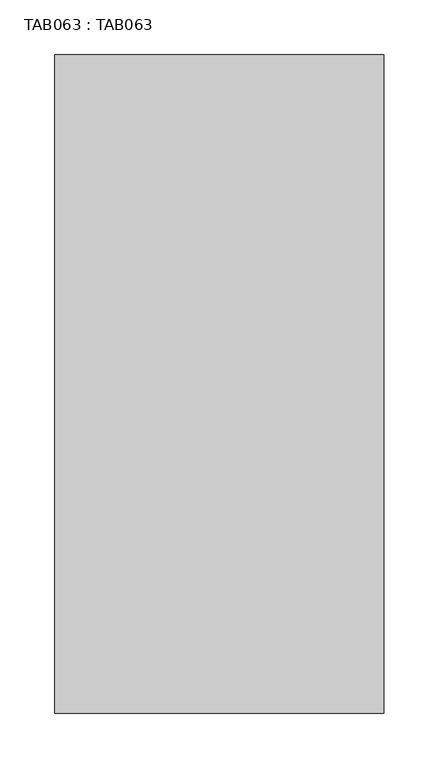
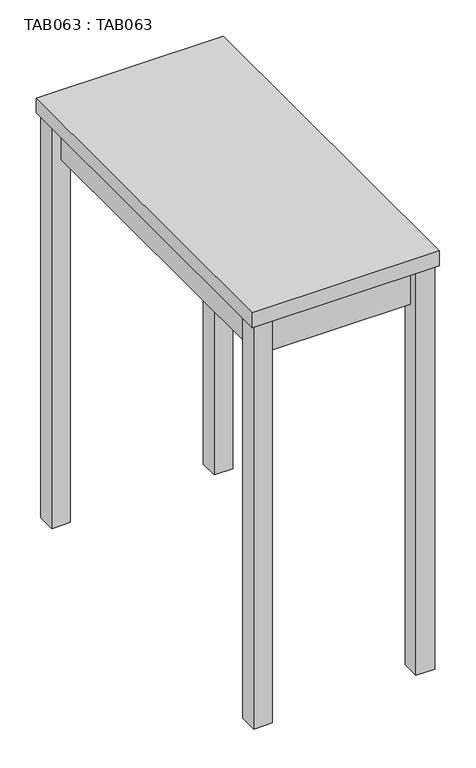
"""IFC4 building model written with IfcOpenShell, lengths in millimetres: proxy geometry, TAB063 : TAB063."""

from ifc_helpers import new_model, si_unit, frame, origin, origin_with_axes, place, context, project, spatial, polyline, outline, extrude, source, transform, mapped, element, save


def tab063_tab063_c3d214fc(model_context):
    return source(origin(), model_context, "Body", "SweptSolid", [
        extrude(outline(polyline([(264.9999948, -20.0000005), (264.9999948, -35.0000007), (35.0000007, -35.0000007), (35.0000007, -20.0000005), (264.9999948, -20.0000005)])), frame((0.0, 0.0, 620.0000193), z_axis=(0.0, 0.0, 1.0), x_axis=(1.0, 0.0, 0.0)), (0.0, 0.0, 1.0), 64.9999569),
        extrude(outline(polyline([(264.9999948, -579.9999899), (35.0000007, -579.9999899), (35.0000007, -564.999997), (264.9999948, -564.999997), (264.9999948, -579.9999899)])), frame((0.0, 0.0, 620.0000193), z_axis=(0.0, 0.0, 1.0), x_axis=(1.0, 0.0, 0.0)), (0.0, 0.0, 1.0), 64.9999569),
        extrude(outline(polyline([(264.9999948, -35.0000007), (279.9999967, -35.0000007), (279.9999967, -564.999997), (264.9999948, -564.999997), (264.9999948, -35.0000007)])), frame((0.0, 0.0, 620.0000193), z_axis=(0.0, 0.0, 1.0), x_axis=(1.0, 0.0, 0.0)), (0.0, 0.0, 1.0), 64.9999569),
        extrude(outline(polyline([(35.0000007, -564.999997), (20.0000005, -564.999997), (20.0000005, -35.0000007), (35.0000007, -35.0000007), (35.0000007, -564.999997)])), frame((0.0, 0.0, 620.0000193), z_axis=(0.0, 0.0, 1.0), x_axis=(1.0, 0.0, 0.0)), (0.0, 0.0, 1.0), 64.9999569),
        extrude(outline(polyline([(264.9999948, -5.0000003), (294.9999986, -5.0000003), (294.9999986, -35.0000007), (264.9999948, -35.0000007), (264.9999948, -5.0000003)])), origin_with_axes(), (0.0, 0.0, 1.0), 684.9999762),
        extrude(outline(polyline([(35.0000007, -5.0000003), (35.0000007, -35.0000007), (5.0000003, -35.0000007), (5.0000003, -5.0000003), (35.0000007, -5.0000003)])), origin_with_axes(), (0.0, 0.0, 1.0), 684.9999762),
        extrude(outline(polyline([(35.0000007, -594.9999827), (5.0000003, -594.9999827), (5.0000003, -564.999997), (35.0000007, -564.999997), (35.0000007, -594.9999827)])), origin_with_axes(), (0.0, 0.0, 1.0), 684.9999762),
        extrude(outline(polyline([(264.9999948, -594.9999827), (264.9999948, -564.999997), (294.9999986, -564.999997), (294.9999986, -594.9999827), (264.9999948, -594.9999827)])), origin_with_axes(), (0.0, 0.0, 1.0), 684.9999762),
        extrude(outline(polyline([(300.0000023, -600.0000046), (0.0, -600.0000046), (0.0, 0.0), (300.0000023, 0.0), (300.0000023, -600.0000046)])), frame((0.0, 0.0, 684.9999763), z_axis=(0.0, 0.0, 1.0), x_axis=(1.0, 0.0, 0.0)), (0.0, 0.0, 1.0), 25.0),
    ])


if __name__ == "__main__":
    model = new_model("IFC4")
    model_context = context("Model", 3, world=origin())
    ifc_project = project(units=[si_unit("LENGTHUNIT", "METRE", prefix="MILLI")], contexts=[model_context])
    site = spatial("IfcSite", under=ifc_project)
    building = spatial("IfcBuilding", under=site)
    placement = place(None, origin())
    tab063_tab063_shape = tab063_tab063_c3d214fc(model_context)
    element("IfcBuildingElementProxy", 1, Name="TAB063 : TAB063", ObjectType="TAB063 : TAB063", at=placement, inside=building, context=model_context, shape_type="MappedRepresentation", body=[
        mapped(tab063_tab063_shape, transform((0.0, 0.0, 0.0), x_axis=(1.0, 0.0, 0.0), y_axis=(0.0, 1.0, 0.0), z_axis=(0.0, 0.0, 1.0))),
    ])
    save(model, "model.ifc")
